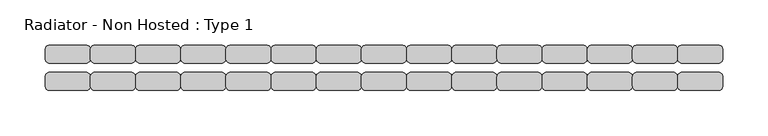
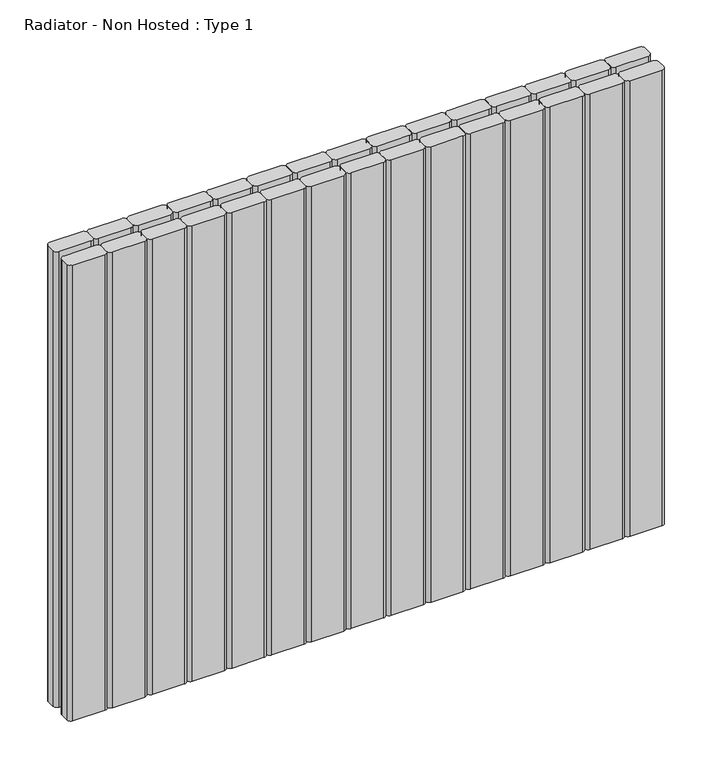
"""IFC4 building model written with IfcOpenShell, lengths in millimetres: proxy geometry, Radiator - Non Hosted : Type 1."""

from ifc_helpers import new_model, si_unit, point, frame, frame_2d, origin, place, context, project, spatial, polyline, circle_curve, trimmed, segment, composite_curve, outline, extrude, source, transform, mapped, element, save


def radiator_non_hosted_type_1_70f04c54(model_context):
    return source(origin(), model_context, "Body", "SweptSolid", [
        extrude(outline(composite_curve([segment(trimmed(circle_curve(frame_2d((845.0, 85.0)), 5.0), [point((845.0, 90.0))], [point((850.0, 85.0))], False, "CARTESIAN"), True, "CONTINUOUS"), segment(polyline([(850.0, 85.0), (850.0, 75.0)]), True, "CONTINUOUS"), segment(trimmed(circle_curve(frame_2d((845.0, 75.0)), 5.0), [point((850.0, 75.0))], [point((845.0, 70.0))], False, "CARTESIAN"), True, "CONTINUOUS"), segment(polyline([(845.0, 70.0), (805.0, 70.0)]), True, "CONTINUOUS"), segment(trimmed(circle_curve(frame_2d((805.0, 75.0)), 5.0), [point((805.0, 70.0))], [point((800.0, 75.0))], False, "CARTESIAN"), True, "CONTINUOUS"), segment(polyline([(800.0, 75.0), (800.0, 85.0)]), True, "CONTINUOUS"), segment(trimmed(circle_curve(frame_2d((805.0, 85.0)), 5.0), [point((800.0, 85.0))], [point((805.0, 90.0))], False, "CARTESIAN"), True, "CONTINUOUS"), segment(polyline([(805.0, 90.0), (845.0, 90.0)]), True, "CONTINUOUS")], self_intersect=False)), frame((0.0, 0.0, 100.0), z_axis=(0.0, 0.0, 1.0), x_axis=(1.0, 0.0, 0.0)), (0.0, 0.0, 1.0), 605.1382712),
        extrude(outline(composite_curve([segment(trimmed(circle_curve(frame_2d((795.0, 85.0)), 5.0), [point((795.0, 90.0))], [point((800.0, 85.0))], False, "CARTESIAN"), True, "CONTINUOUS"), segment(polyline([(800.0, 85.0), (800.0, 75.0)]), True, "CONTINUOUS"), segment(trimmed(circle_curve(frame_2d((795.0, 75.0)), 5.0), [point((800.0, 75.0))], [point((795.0, 70.0))], False, "CARTESIAN"), True, "CONTINUOUS"), segment(polyline([(795.0, 70.0), (755.0, 70.0)]), True, "CONTINUOUS"), segment(trimmed(circle_curve(frame_2d((755.0, 75.0)), 5.0), [point((755.0, 70.0))], [point((750.0, 75.0))], False, "CARTESIAN"), True, "CONTINUOUS"), segment(polyline([(750.0, 75.0), (750.0, 85.0)]), True, "CONTINUOUS"), segment(trimmed(circle_curve(frame_2d((755.0, 85.0)), 5.0), [point((750.0, 85.0))], [point((755.0, 90.0))], False, "CARTESIAN"), True, "CONTINUOUS"), segment(polyline([(755.0, 90.0), (795.0, 90.0)]), True, "CONTINUOUS")], self_intersect=False)), frame((0.0, 0.0, 100.0), z_axis=(0.0, 0.0, 1.0), x_axis=(1.0, 0.0, 0.0)), (0.0, 0.0, 1.0), 605.1382712),
        extrude(outline(composite_curve([segment(trimmed(circle_curve(frame_2d((745.0, 85.0)), 5.0), [point((745.0, 90.0))], [point((750.0, 85.0))], False, "CARTESIAN"), True, "CONTINUOUS"), segment(polyline([(750.0, 85.0), (750.0, 75.0)]), True, "CONTINUOUS"), segment(trimmed(circle_curve(frame_2d((745.0, 75.0)), 5.0), [point((750.0, 75.0))], [point((745.0, 70.0))], False, "CARTESIAN"), True, "CONTINUOUS"), segment(polyline([(745.0, 70.0), (705.0, 70.0)]), True, "CONTINUOUS"), segment(trimmed(circle_curve(frame_2d((705.0, 75.0)), 5.0), [point((705.0, 70.0))], [point((700.0, 75.0))], False, "CARTESIAN"), True, "CONTINUOUS"), segment(polyline([(700.0, 75.0), (700.0, 85.0)]), True, "CONTINUOUS"), segment(trimmed(circle_curve(frame_2d((705.0, 85.0)), 5.0), [point((700.0, 85.0))], [point((705.0, 90.0))], False, "CARTESIAN"), True, "CONTINUOUS"), segment(polyline([(705.0, 90.0), (745.0, 90.0)]), True, "CONTINUOUS")], self_intersect=False)), frame((0.0, 0.0, 100.0), z_axis=(0.0, 0.0, 1.0), x_axis=(1.0, 0.0, 0.0)), (0.0, 0.0, 1.0), 605.1382712),
        extrude(outline(composite_curve([segment(trimmed(circle_curve(frame_2d((695.0, 85.0)), 5.0), [point((695.0, 90.0))], [point((700.0, 85.0))], False, "CARTESIAN"), True, "CONTINUOUS"), segment(polyline([(700.0, 85.0), (700.0, 75.0)]), True, "CONTINUOUS"), segment(trimmed(circle_curve(frame_2d((695.0, 75.0)), 5.0), [point((700.0, 75.0))], [point((695.0, 70.0))], False, "CARTESIAN"), True, "CONTINUOUS"), segment(polyline([(695.0, 70.0), (655.0, 70.0)]), True, "CONTINUOUS"), segment(trimmed(circle_curve(frame_2d((655.0, 75.0)), 5.0), [point((655.0, 70.0))], [point((650.0, 75.0))], False, "CARTESIAN"), True, "CONTINUOUS"), segment(polyline([(650.0, 75.0), (650.0, 85.0)]), True, "CONTINUOUS"), segment(trimmed(circle_curve(frame_2d((655.0, 85.0)), 5.0), [point((650.0, 85.0))], [point((655.0, 90.0))], False, "CARTESIAN"), True, "CONTINUOUS"), segment(polyline([(655.0, 90.0), (695.0, 90.0)]), True, "CONTINUOUS")], self_intersect=False)), frame((0.0, 0.0, 100.0), z_axis=(0.0, 0.0, 1.0), x_axis=(1.0, 0.0, 0.0)), (0.0, 0.0, 1.0), 605.1382712),
        extrude(outline(composite_curve([segment(trimmed(circle_curve(frame_2d((645.0, 85.0)), 5.0), [point((645.0, 90.0))], [point((650.0, 85.0))], False, "CARTESIAN"), True, "CONTINUOUS"), segment(polyline([(650.0, 85.0), (650.0, 75.0)]), True, "CONTINUOUS"), segment(trimmed(circle_curve(frame_2d((645.0, 75.0)), 5.0), [point((650.0, 75.0))], [point((645.0, 70.0))], False, "CARTESIAN"), True, "CONTINUOUS"), segment(polyline([(645.0, 70.0), (605.0, 70.0)]), True, "CONTINUOUS"), segment(trimmed(circle_curve(frame_2d((605.0, 75.0)), 5.0), [point((605.0, 70.0))], [point((600.0, 75.0))], False, "CARTESIAN"), True, "CONTINUOUS"), segment(polyline([(600.0, 75.0), (600.0, 85.0)]), True, "CONTINUOUS"), segment(trimmed(circle_curve(frame_2d((605.0, 85.0)), 5.0), [point((600.0, 85.0))], [point((605.0, 90.0))], False, "CARTESIAN"), True, "CONTINUOUS"), segment(polyline([(605.0, 90.0), (645.0, 90.0)]), True, "CONTINUOUS")], self_intersect=False)), frame((0.0, 0.0, 100.0), z_axis=(0.0, 0.0, 1.0), x_axis=(1.0, 0.0, 0.0)), (0.0, 0.0, 1.0), 605.1382712),
        extrude(outline(composite_curve([segment(trimmed(circle_curve(frame_2d((845.0, 55.0)), 5.0), [point((845.0, 60.0))], [point((850.0, 55.0))], False, "CARTESIAN"), True, "CONTINUOUS"), segment(polyline([(850.0, 55.0), (850.0, 45.0)]), True, "CONTINUOUS"), segment(trimmed(circle_curve(frame_2d((845.0, 45.0)), 5.0), [point((850.0, 45.0))], [point((845.0, 40.0))], False, "CARTESIAN"), True, "CONTINUOUS"), segment(polyline([(845.0, 40.0), (805.0, 40.0)]), True, "CONTINUOUS"), segment(trimmed(circle_curve(frame_2d((805.0, 45.0)), 5.0), [point((805.0, 40.0))], [point((800.0, 45.0))], False, "CARTESIAN"), True, "CONTINUOUS"), segment(polyline([(800.0, 45.0), (800.0, 55.0)]), True, "CONTINUOUS"), segment(trimmed(circle_curve(frame_2d((805.0, 55.0)), 5.0), [point((800.0, 55.0))], [point((805.0, 60.0))], False, "CARTESIAN"), True, "CONTINUOUS"), segment(polyline([(805.0, 60.0), (845.0, 60.0)]), True, "CONTINUOUS")], self_intersect=False)), frame((0.0, 0.0, 100.0), z_axis=(0.0, 0.0, 1.0), x_axis=(1.0, 0.0, 0.0)), (0.0, 0.0, 1.0), 605.1382712),
        extrude(outline(composite_curve([segment(trimmed(circle_curve(frame_2d((795.0, 55.0)), 5.0), [point((795.0, 60.0))], [point((800.0, 55.0))], False, "CARTESIAN"), True, "CONTINUOUS"), segment(polyline([(800.0, 55.0), (800.0, 45.0)]), True, "CONTINUOUS"), segment(trimmed(circle_curve(frame_2d((795.0, 45.0)), 5.0), [point((800.0, 45.0))], [point((795.0, 40.0))], False, "CARTESIAN"), True, "CONTINUOUS"), segment(polyline([(795.0, 40.0), (755.0, 40.0)]), True, "CONTINUOUS"), segment(trimmed(circle_curve(frame_2d((755.0, 45.0)), 5.0), [point((755.0, 40.0))], [point((750.0, 45.0))], False, "CARTESIAN"), True, "CONTINUOUS"), segment(polyline([(750.0, 45.0), (750.0, 55.0)]), True, "CONTINUOUS"), segment(trimmed(circle_curve(frame_2d((755.0, 55.0)), 5.0), [point((750.0, 55.0))], [point((755.0, 60.0))], False, "CARTESIAN"), True, "CONTINUOUS"), segment(polyline([(755.0, 60.0), (795.0, 60.0)]), True, "CONTINUOUS")], self_intersect=False)), frame((0.0, 0.0, 100.0), z_axis=(0.0, 0.0, 1.0), x_axis=(1.0, 0.0, 0.0)), (0.0, 0.0, 1.0), 605.1382712),
        extrude(outline(composite_curve([segment(trimmed(circle_curve(frame_2d((745.0, 55.0)), 5.0), [point((745.0, 60.0))], [point((750.0, 55.0))], False, "CARTESIAN"), True, "CONTINUOUS"), segment(polyline([(750.0, 55.0), (750.0, 45.0)]), True, "CONTINUOUS"), segment(trimmed(circle_curve(frame_2d((745.0, 45.0)), 5.0), [point((750.0, 45.0))], [point((745.0, 40.0))], False, "CARTESIAN"), True, "CONTINUOUS"), segment(polyline([(745.0, 40.0), (705.0, 40.0)]), True, "CONTINUOUS"), segment(trimmed(circle_curve(frame_2d((705.0, 45.0)), 5.0), [point((705.0, 40.0))], [point((700.0, 45.0))], False, "CARTESIAN"), True, "CONTINUOUS"), segment(polyline([(700.0, 45.0), (700.0, 55.0)]), True, "CONTINUOUS"), segment(trimmed(circle_curve(frame_2d((705.0, 55.0)), 5.0), [point((700.0, 55.0))], [point((705.0, 60.0))], False, "CARTESIAN"), True, "CONTINUOUS"), segment(polyline([(705.0, 60.0), (745.0, 60.0)]), True, "CONTINUOUS")], self_intersect=False)), frame((0.0, 0.0, 100.0), z_axis=(0.0, 0.0, 1.0), x_axis=(1.0, 0.0, 0.0)), (0.0, 0.0, 1.0), 605.1382712),
        extrude(outline(composite_curve([segment(trimmed(circle_curve(frame_2d((695.0, 55.0)), 5.0), [point((695.0, 60.0))], [point((700.0, 55.0))], False, "CARTESIAN"), True, "CONTINUOUS"), segment(polyline([(700.0, 55.0), (700.0, 45.0)]), True, "CONTINUOUS"), segment(trimmed(circle_curve(frame_2d((695.0, 45.0)), 5.0), [point((700.0, 45.0))], [point((695.0, 40.0))], False, "CARTESIAN"), True, "CONTINUOUS"), segment(polyline([(695.0, 40.0), (655.0, 40.0)]), True, "CONTINUOUS"), segment(trimmed(circle_curve(frame_2d((655.0, 45.0)), 5.0), [point((655.0, 40.0))], [point((650.0, 45.0))], False, "CARTESIAN"), True, "CONTINUOUS"), segment(polyline([(650.0, 45.0), (650.0, 55.0)]), True, "CONTINUOUS"), segment(trimmed(circle_curve(frame_2d((655.0, 55.0)), 5.0), [point((650.0, 55.0))], [point((655.0, 60.0))], False, "CARTESIAN"), True, "CONTINUOUS"), segment(polyline([(655.0, 60.0), (695.0, 60.0)]), True, "CONTINUOUS")], self_intersect=False)), frame((0.0, 0.0, 100.0), z_axis=(0.0, 0.0, 1.0), x_axis=(1.0, 0.0, 0.0)), (0.0, 0.0, 1.0), 605.1382712),
        extrude(outline(composite_curve([segment(trimmed(circle_curve(frame_2d((645.0, 55.0)), 5.0), [point((645.0, 60.0))], [point((650.0, 55.0))], False, "CARTESIAN"), True, "CONTINUOUS"), segment(polyline([(650.0, 55.0), (650.0, 45.0)]), True, "CONTINUOUS"), segment(trimmed(circle_curve(frame_2d((645.0, 45.0)), 5.0), [point((650.0, 45.0))], [point((645.0, 40.0))], False, "CARTESIAN"), True, "CONTINUOUS"), segment(polyline([(645.0, 40.0), (605.0, 40.0)]), True, "CONTINUOUS"), segment(trimmed(circle_curve(frame_2d((605.0, 45.0)), 5.0), [point((605.0, 40.0))], [point((600.0, 45.0))], False, "CARTESIAN"), True, "CONTINUOUS"), segment(polyline([(600.0, 45.0), (600.0, 55.0)]), True, "CONTINUOUS"), segment(trimmed(circle_curve(frame_2d((605.0, 55.0)), 5.0), [point((600.0, 55.0))], [point((605.0, 60.0))], False, "CARTESIAN"), True, "CONTINUOUS"), segment(polyline([(605.0, 60.0), (645.0, 60.0)]), True, "CONTINUOUS")], self_intersect=False)), frame((0.0, 0.0, 100.0), z_axis=(0.0, 0.0, 1.0), x_axis=(1.0, 0.0, 0.0)), (0.0, 0.0, 1.0), 605.1382712),
        extrude(outline(composite_curve([segment(trimmed(circle_curve(frame_2d((595.0, 85.0)), 5.0), [point((595.0, 90.0))], [point((600.0, 85.0))], False, "CARTESIAN"), True, "CONTINUOUS"), segment(polyline([(600.0, 85.0), (600.0, 75.0)]), True, "CONTINUOUS"), segment(trimmed(circle_curve(frame_2d((595.0, 75.0)), 5.0), [point((600.0, 75.0))], [point((595.0, 70.0))], False, "CARTESIAN"), True, "CONTINUOUS"), segment(polyline([(595.0, 70.0), (555.0, 70.0)]), True, "CONTINUOUS"), segment(trimmed(circle_curve(frame_2d((555.0, 75.0)), 5.0), [point((555.0, 70.0))], [point((550.0, 75.0))], False, "CARTESIAN"), True, "CONTINUOUS"), segment(polyline([(550.0, 75.0), (550.0, 85.0)]), True, "CONTINUOUS"), segment(trimmed(circle_curve(frame_2d((555.0, 85.0)), 5.0), [point((550.0, 85.0))], [point((555.0, 90.0))], False, "CARTESIAN"), True, "CONTINUOUS"), segment(polyline([(555.0, 90.0), (595.0, 90.0)]), True, "CONTINUOUS")], self_intersect=False)), frame((0.0, 0.0, 100.0), z_axis=(0.0, 0.0, 1.0), x_axis=(1.0, 0.0, 0.0)), (0.0, 0.0, 1.0), 605.1382712),
        extrude(outline(composite_curve([segment(trimmed(circle_curve(frame_2d((545.0, 85.0)), 5.0), [point((545.0, 90.0))], [point((550.0, 85.0))], False, "CARTESIAN"), True, "CONTINUOUS"), segment(polyline([(550.0, 85.0), (550.0, 75.0)]), True, "CONTINUOUS"), segment(trimmed(circle_curve(frame_2d((545.0, 75.0)), 5.0), [point((550.0, 75.0))], [point((545.0, 70.0))], False, "CARTESIAN"), True, "CONTINUOUS"), segment(polyline([(545.0, 70.0), (505.0, 70.0)]), True, "CONTINUOUS"), segment(trimmed(circle_curve(frame_2d((505.0, 75.0)), 5.0), [point((505.0, 70.0))], [point((500.0, 75.0))], False, "CARTESIAN"), True, "CONTINUOUS"), segment(polyline([(500.0, 75.0), (500.0, 85.0)]), True, "CONTINUOUS"), segment(trimmed(circle_curve(frame_2d((505.0, 85.0)), 5.0), [point((500.0, 85.0))], [point((505.0, 90.0))], False, "CARTESIAN"), True, "CONTINUOUS"), segment(polyline([(505.0, 90.0), (545.0, 90.0)]), True, "CONTINUOUS")], self_intersect=False)), frame((0.0, 0.0, 100.0), z_axis=(0.0, 0.0, 1.0), x_axis=(1.0, 0.0, 0.0)), (0.0, 0.0, 1.0), 605.1382712),
        extrude(outline(composite_curve([segment(trimmed(circle_curve(frame_2d((495.0, 85.0)), 5.0), [point((495.0, 90.0))], [point((500.0, 85.0))], False, "CARTESIAN"), True, "CONTINUOUS"), segment(polyline([(500.0, 85.0), (500.0, 75.0)]), True, "CONTINUOUS"), segment(trimmed(circle_curve(frame_2d((495.0, 75.0)), 5.0), [point((500.0, 75.0))], [point((495.0, 70.0))], False, "CARTESIAN"), True, "CONTINUOUS"), segment(polyline([(495.0, 70.0), (455.0, 70.0)]), True, "CONTINUOUS"), segment(trimmed(circle_curve(frame_2d((455.0, 75.0)), 5.0), [point((455.0, 70.0))], [point((450.0, 75.0))], False, "CARTESIAN"), True, "CONTINUOUS"), segment(polyline([(450.0, 75.0), (450.0, 85.0)]), True, "CONTINUOUS"), segment(trimmed(circle_curve(frame_2d((455.0, 85.0)), 5.0), [point((450.0, 85.0))], [point((455.0, 90.0))], False, "CARTESIAN"), True, "CONTINUOUS"), segment(polyline([(455.0, 90.0), (495.0, 90.0)]), True, "CONTINUOUS")], self_intersect=False)), frame((0.0, 0.0, 100.0), z_axis=(0.0, 0.0, 1.0), x_axis=(1.0, 0.0, 0.0)), (0.0, 0.0, 1.0), 605.1382712),
        extrude(outline(composite_curve([segment(trimmed(circle_curve(frame_2d((445.0, 85.0)), 5.0), [point((445.0, 90.0))], [point((450.0, 85.0))], False, "CARTESIAN"), True, "CONTINUOUS"), segment(polyline([(450.0, 85.0), (450.0, 75.0)]), True, "CONTINUOUS"), segment(trimmed(circle_curve(frame_2d((445.0, 75.0)), 5.0), [point((450.0, 75.0))], [point((445.0, 70.0))], False, "CARTESIAN"), True, "CONTINUOUS"), segment(polyline([(445.0, 70.0), (405.0, 70.0)]), True, "CONTINUOUS"), segment(trimmed(circle_curve(frame_2d((405.0, 75.0)), 5.0), [point((405.0, 70.0))], [point((400.0, 75.0))], False, "CARTESIAN"), True, "CONTINUOUS"), segment(polyline([(400.0, 75.0), (400.0, 85.0)]), True, "CONTINUOUS"), segment(trimmed(circle_curve(frame_2d((405.0, 85.0)), 5.0), [point((400.0, 85.0))], [point((405.0, 90.0))], False, "CARTESIAN"), True, "CONTINUOUS"), segment(polyline([(405.0, 90.0), (445.0, 90.0)]), True, "CONTINUOUS")], self_intersect=False)), frame((0.0, 0.0, 100.0), z_axis=(0.0, 0.0, 1.0), x_axis=(1.0, 0.0, 0.0)), (0.0, 0.0, 1.0), 605.1382712),
        extrude(outline(composite_curve([segment(trimmed(circle_curve(frame_2d((395.0, 85.0)), 5.0), [point((395.0, 90.0))], [point((400.0, 85.0))], False, "CARTESIAN"), True, "CONTINUOUS"), segment(polyline([(400.0, 85.0), (400.0, 75.0)]), True, "CONTINUOUS"), segment(trimmed(circle_curve(frame_2d((395.0, 75.0)), 5.0), [point((400.0, 75.0))], [point((395.0, 70.0))], False, "CARTESIAN"), True, "CONTINUOUS"), segment(polyline([(395.0, 70.0), (355.0, 70.0)]), True, "CONTINUOUS"), segment(trimmed(circle_curve(frame_2d((355.0, 75.0)), 5.0), [point((355.0, 70.0))], [point((350.0, 75.0))], False, "CARTESIAN"), True, "CONTINUOUS"), segment(polyline([(350.0, 75.0), (350.0, 85.0)]), True, "CONTINUOUS"), segment(trimmed(circle_curve(frame_2d((355.0, 85.0)), 5.0), [point((350.0, 85.0))], [point((355.0, 90.0))], False, "CARTESIAN"), True, "CONTINUOUS"), segment(polyline([(355.0, 90.0), (395.0, 90.0)]), True, "CONTINUOUS")], self_intersect=False)), frame((0.0, 0.0, 100.0), z_axis=(0.0, 0.0, 1.0), x_axis=(1.0, 0.0, 0.0)), (0.0, 0.0, 1.0), 605.1382712),
        extrude(outline(composite_curve([segment(trimmed(circle_curve(frame_2d((345.0, 85.0)), 5.0), [point((345.0, 90.0))], [point((350.0, 85.0))], False, "CARTESIAN"), True, "CONTINUOUS"), segment(polyline([(350.0, 85.0), (350.0, 75.0)]), True, "CONTINUOUS"), segment(trimmed(circle_curve(frame_2d((345.0, 75.0)), 5.0), [point((350.0, 75.0))], [point((345.0, 70.0))], False, "CARTESIAN"), True, "CONTINUOUS"), segment(polyline([(345.0, 70.0), (305.0, 70.0)]), True, "CONTINUOUS"), segment(trimmed(circle_curve(frame_2d((305.0, 75.0)), 5.0), [point((305.0, 70.0))], [point((300.0, 75.0))], False, "CARTESIAN"), True, "CONTINUOUS"), segment(polyline([(300.0, 75.0), (300.0, 85.0)]), True, "CONTINUOUS"), segment(trimmed(circle_curve(frame_2d((305.0, 85.0)), 5.0), [point((300.0, 85.0))], [point((305.0, 90.0))], False, "CARTESIAN"), True, "CONTINUOUS"), segment(polyline([(305.0, 90.0), (345.0, 90.0)]), True, "CONTINUOUS")], self_intersect=False)), frame((0.0, 0.0, 100.0), z_axis=(0.0, 0.0, 1.0), x_axis=(1.0, 0.0, 0.0)), (0.0, 0.0, 1.0), 605.1382712),
        extrude(outline(composite_curve([segment(trimmed(circle_curve(frame_2d((295.0, 85.0)), 5.0), [point((295.0, 90.0))], [point((300.0, 85.0))], False, "CARTESIAN"), True, "CONTINUOUS"), segment(polyline([(300.0, 85.0), (300.0, 75.0)]), True, "CONTINUOUS"), segment(trimmed(circle_curve(frame_2d((295.0, 75.0)), 5.0), [point((300.0, 75.0))], [point((295.0, 70.0))], False, "CARTESIAN"), True, "CONTINUOUS"), segment(polyline([(295.0, 70.0), (255.0, 70.0)]), True, "CONTINUOUS"), segment(trimmed(circle_curve(frame_2d((255.0, 75.0)), 5.0), [point((255.0, 70.0))], [point((250.0, 75.0))], False, "CARTESIAN"), True, "CONTINUOUS"), segment(polyline([(250.0, 75.0), (250.0, 85.0)]), True, "CONTINUOUS"), segment(trimmed(circle_curve(frame_2d((255.0, 85.0)), 5.0), [point((250.0, 85.0))], [point((255.0, 90.0))], False, "CARTESIAN"), True, "CONTINUOUS"), segment(polyline([(255.0, 90.0), (295.0, 90.0)]), True, "CONTINUOUS")], self_intersect=False)), frame((0.0, 0.0, 100.0), z_axis=(0.0, 0.0, 1.0), x_axis=(1.0, 0.0, 0.0)), (0.0, 0.0, 1.0), 605.1382712),
        extrude(outline(composite_curve([segment(trimmed(circle_curve(frame_2d((245.0, 85.0)), 5.0), [point((245.0, 90.0))], [point((250.0, 85.0))], False, "CARTESIAN"), True, "CONTINUOUS"), segment(polyline([(250.0, 85.0), (250.0, 75.0)]), True, "CONTINUOUS"), segment(trimmed(circle_curve(frame_2d((245.0, 75.0)), 5.0), [point((250.0, 75.0))], [point((245.0, 70.0))], False, "CARTESIAN"), True, "CONTINUOUS"), segment(polyline([(245.0, 70.0), (205.0, 70.0)]), True, "CONTINUOUS"), segment(trimmed(circle_curve(frame_2d((205.0, 75.0)), 5.0), [point((205.0, 70.0))], [point((200.0, 75.0))], False, "CARTESIAN"), True, "CONTINUOUS"), segment(polyline([(200.0, 75.0), (200.0, 85.0)]), True, "CONTINUOUS"), segment(trimmed(circle_curve(frame_2d((205.0, 85.0)), 5.0), [point((200.0, 85.0))], [point((205.0, 90.0))], False, "CARTESIAN"), True, "CONTINUOUS"), segment(polyline([(205.0, 90.0), (245.0, 90.0)]), True, "CONTINUOUS")], self_intersect=False)), frame((0.0, 0.0, 100.0), z_axis=(0.0, 0.0, 1.0), x_axis=(1.0, 0.0, 0.0)), (0.0, 0.0, 1.0), 605.1382712),
        extrude(outline(composite_curve([segment(trimmed(circle_curve(frame_2d((195.0, 85.0)), 5.0), [point((195.0, 90.0))], [point((200.0, 85.0))], False, "CARTESIAN"), True, "CONTINUOUS"), segment(polyline([(200.0, 85.0), (200.0, 75.0)]), True, "CONTINUOUS"), segment(trimmed(circle_curve(frame_2d((195.0, 75.0)), 5.0), [point((200.0, 75.0))], [point((195.0, 70.0))], False, "CARTESIAN"), True, "CONTINUOUS"), segment(polyline([(195.0, 70.0), (155.0, 70.0)]), True, "CONTINUOUS"), segment(trimmed(circle_curve(frame_2d((155.0, 75.0)), 5.0), [point((155.0, 70.0))], [point((150.0, 75.0))], False, "CARTESIAN"), True, "CONTINUOUS"), segment(polyline([(150.0, 75.0), (150.0, 85.0)]), True, "CONTINUOUS"), segment(trimmed(circle_curve(frame_2d((155.0, 85.0)), 5.0), [point((150.0, 85.0))], [point((155.0, 90.0))], False, "CARTESIAN"), True, "CONTINUOUS"), segment(polyline([(155.0, 90.0), (195.0, 90.0)]), True, "CONTINUOUS")], self_intersect=False)), frame((0.0, 0.0, 100.0), z_axis=(0.0, 0.0, 1.0), x_axis=(1.0, 0.0, 0.0)), (0.0, 0.0, 1.0), 605.1382712),
        extrude(outline(composite_curve([segment(trimmed(circle_curve(frame_2d((595.0, 55.0)), 5.0), [point((595.0, 60.0))], [point((600.0, 55.0))], False, "CARTESIAN"), True, "CONTINUOUS"), segment(polyline([(600.0, 55.0), (600.0, 45.0)]), True, "CONTINUOUS"), segment(trimmed(circle_curve(frame_2d((595.0, 45.0)), 5.0), [point((600.0, 45.0))], [point((595.0, 40.0))], False, "CARTESIAN"), True, "CONTINUOUS"), segment(polyline([(595.0, 40.0), (555.0, 40.0)]), True, "CONTINUOUS"), segment(trimmed(circle_curve(frame_2d((555.0, 45.0)), 5.0), [point((555.0, 40.0))], [point((550.0, 45.0))], False, "CARTESIAN"), True, "CONTINUOUS"), segment(polyline([(550.0, 45.0), (550.0, 55.0)]), True, "CONTINUOUS"), segment(trimmed(circle_curve(frame_2d((555.0, 55.0)), 5.0), [point((550.0, 55.0))], [point((555.0, 60.0))], False, "CARTESIAN"), True, "CONTINUOUS"), segment(polyline([(555.0, 60.0), (595.0, 60.0)]), True, "CONTINUOUS")], self_intersect=False)), frame((0.0, 0.0, 100.0), z_axis=(0.0, 0.0, 1.0), x_axis=(1.0, 0.0, 0.0)), (0.0, 0.0, 1.0), 605.1382712),
        extrude(outline(composite_curve([segment(trimmed(circle_curve(frame_2d((545.0, 55.0)), 5.0), [point((545.0, 60.0))], [point((550.0, 55.0))], False, "CARTESIAN"), True, "CONTINUOUS"), segment(polyline([(550.0, 55.0), (550.0, 45.0)]), True, "CONTINUOUS"), segment(trimmed(circle_curve(frame_2d((545.0, 45.0)), 5.0), [point((550.0, 45.0))], [point((545.0, 40.0))], False, "CARTESIAN"), True, "CONTINUOUS"), segment(polyline([(545.0, 40.0), (505.0, 40.0)]), True, "CONTINUOUS"), segment(trimmed(circle_curve(frame_2d((505.0, 45.0)), 5.0), [point((505.0, 40.0))], [point((500.0, 45.0))], False, "CARTESIAN"), True, "CONTINUOUS"), segment(polyline([(500.0, 45.0), (500.0, 55.0)]), True, "CONTINUOUS"), segment(trimmed(circle_curve(frame_2d((505.0, 55.0)), 5.0), [point((500.0, 55.0))], [point((505.0, 60.0))], False, "CARTESIAN"), True, "CONTINUOUS"), segment(polyline([(505.0, 60.0), (545.0, 60.0)]), True, "CONTINUOUS")], self_intersect=False)), frame((0.0, 0.0, 100.0), z_axis=(0.0, 0.0, 1.0), x_axis=(1.0, 0.0, 0.0)), (0.0, 0.0, 1.0), 605.1382712),
        extrude(outline(composite_curve([segment(trimmed(circle_curve(frame_2d((495.0, 55.0)), 5.0), [point((495.0, 60.0))], [point((500.0, 55.0))], False, "CARTESIAN"), True, "CONTINUOUS"), segment(polyline([(500.0, 55.0), (500.0, 45.0)]), True, "CONTINUOUS"), segment(trimmed(circle_curve(frame_2d((495.0, 45.0)), 5.0), [point((500.0, 45.0))], [point((495.0, 40.0))], False, "CARTESIAN"), True, "CONTINUOUS"), segment(polyline([(495.0, 40.0), (455.0, 40.0)]), True, "CONTINUOUS"), segment(trimmed(circle_curve(frame_2d((455.0, 45.0)), 5.0), [point((455.0, 40.0))], [point((450.0, 45.0))], False, "CARTESIAN"), True, "CONTINUOUS"), segment(polyline([(450.0, 45.0), (450.0, 55.0)]), True, "CONTINUOUS"), segment(trimmed(circle_curve(frame_2d((455.0, 55.0)), 5.0), [point((450.0, 55.0))], [point((455.0, 60.0))], False, "CARTESIAN"), True, "CONTINUOUS"), segment(polyline([(455.0, 60.0), (495.0, 60.0)]), True, "CONTINUOUS")], self_intersect=False)), frame((0.0, 0.0, 100.0), z_axis=(0.0, 0.0, 1.0), x_axis=(1.0, 0.0, 0.0)), (0.0, 0.0, 1.0), 605.1382712),
        extrude(outline(composite_curve([segment(trimmed(circle_curve(frame_2d((445.0, 55.0)), 5.0), [point((445.0, 60.0))], [point((450.0, 55.0))], False, "CARTESIAN"), True, "CONTINUOUS"), segment(polyline([(450.0, 55.0), (450.0, 45.0)]), True, "CONTINUOUS"), segment(trimmed(circle_curve(frame_2d((445.0, 45.0)), 5.0), [point((450.0, 45.0))], [point((445.0, 40.0))], False, "CARTESIAN"), True, "CONTINUOUS"), segment(polyline([(445.0, 40.0), (405.0, 40.0)]), True, "CONTINUOUS"), segment(trimmed(circle_curve(frame_2d((405.0, 45.0)), 5.0), [point((405.0, 40.0))], [point((400.0, 45.0))], False, "CARTESIAN"), True, "CONTINUOUS"), segment(polyline([(400.0, 45.0), (400.0, 55.0)]), True, "CONTINUOUS"), segment(trimmed(circle_curve(frame_2d((405.0, 55.0)), 5.0), [point((400.0, 55.0))], [point((405.0, 60.0))], False, "CARTESIAN"), True, "CONTINUOUS"), segment(polyline([(405.0, 60.0), (445.0, 60.0)]), True, "CONTINUOUS")], self_intersect=False)), frame((0.0, 0.0, 100.0), z_axis=(0.0, 0.0, 1.0), x_axis=(1.0, 0.0, 0.0)), (0.0, 0.0, 1.0), 605.1382712),
        extrude(outline(composite_curve([segment(trimmed(circle_curve(frame_2d((395.0, 55.0)), 5.0), [point((395.0, 60.0))], [point((400.0, 55.0))], False, "CARTESIAN"), True, "CONTINUOUS"), segment(polyline([(400.0, 55.0), (400.0, 45.0)]), True, "CONTINUOUS"), segment(trimmed(circle_curve(frame_2d((395.0, 45.0)), 5.0), [point((400.0, 45.0))], [point((395.0, 40.0))], False, "CARTESIAN"), True, "CONTINUOUS"), segment(polyline([(395.0, 40.0), (355.0, 40.0)]), True, "CONTINUOUS"), segment(trimmed(circle_curve(frame_2d((355.0, 45.0)), 5.0), [point((355.0, 40.0))], [point((350.0, 45.0))], False, "CARTESIAN"), True, "CONTINUOUS"), segment(polyline([(350.0, 45.0), (350.0, 55.0)]), True, "CONTINUOUS"), segment(trimmed(circle_curve(frame_2d((355.0, 55.0)), 5.0), [point((350.0, 55.0))], [point((355.0, 60.0))], False, "CARTESIAN"), True, "CONTINUOUS"), segment(polyline([(355.0, 60.0), (395.0, 60.0)]), True, "CONTINUOUS")], self_intersect=False)), frame((0.0, 0.0, 100.0), z_axis=(0.0, 0.0, 1.0), x_axis=(1.0, 0.0, 0.0)), (0.0, 0.0, 1.0), 605.1382712),
        extrude(outline(composite_curve([segment(trimmed(circle_curve(frame_2d((345.0, 55.0)), 5.0), [point((345.0, 60.0))], [point((350.0, 55.0))], False, "CARTESIAN"), True, "CONTINUOUS"), segment(polyline([(350.0, 55.0), (350.0, 45.0)]), True, "CONTINUOUS"), segment(trimmed(circle_curve(frame_2d((345.0, 45.0)), 5.0), [point((350.0, 45.0))], [point((345.0, 40.0))], False, "CARTESIAN"), True, "CONTINUOUS"), segment(polyline([(345.0, 40.0), (305.0, 40.0)]), True, "CONTINUOUS"), segment(trimmed(circle_curve(frame_2d((305.0, 45.0)), 5.0), [point((305.0, 40.0))], [point((300.0, 45.0))], False, "CARTESIAN"), True, "CONTINUOUS"), segment(polyline([(300.0, 45.0), (300.0, 55.0)]), True, "CONTINUOUS"), segment(trimmed(circle_curve(frame_2d((305.0, 55.0)), 5.0), [point((300.0, 55.0))], [point((305.0, 60.0))], False, "CARTESIAN"), True, "CONTINUOUS"), segment(polyline([(305.0, 60.0), (345.0, 60.0)]), True, "CONTINUOUS")], self_intersect=False)), frame((0.0, 0.0, 100.0), z_axis=(0.0, 0.0, 1.0), x_axis=(1.0, 0.0, 0.0)), (0.0, 0.0, 1.0), 605.1382712),
        extrude(outline(composite_curve([segment(trimmed(circle_curve(frame_2d((295.0, 55.0)), 5.0), [point((295.0, 60.0))], [point((300.0, 55.0))], False, "CARTESIAN"), True, "CONTINUOUS"), segment(polyline([(300.0, 55.0), (300.0, 45.0)]), True, "CONTINUOUS"), segment(trimmed(circle_curve(frame_2d((295.0, 45.0)), 5.0), [point((300.0, 45.0))], [point((295.0, 40.0))], False, "CARTESIAN"), True, "CONTINUOUS"), segment(polyline([(295.0, 40.0), (255.0, 40.0)]), True, "CONTINUOUS"), segment(trimmed(circle_curve(frame_2d((255.0, 45.0)), 5.0), [point((255.0, 40.0))], [point((250.0, 45.0))], False, "CARTESIAN"), True, "CONTINUOUS"), segment(polyline([(250.0, 45.0), (250.0, 55.0)]), True, "CONTINUOUS"), segment(trimmed(circle_curve(frame_2d((255.0, 55.0)), 5.0), [point((250.0, 55.0))], [point((255.0, 60.0))], False, "CARTESIAN"), True, "CONTINUOUS"), segment(polyline([(255.0, 60.0), (295.0, 60.0)]), True, "CONTINUOUS")], self_intersect=False)), frame((0.0, 0.0, 100.0), z_axis=(0.0, 0.0, 1.0), x_axis=(1.0, 0.0, 0.0)), (0.0, 0.0, 1.0), 605.1382712),
        extrude(outline(composite_curve([segment(trimmed(circle_curve(frame_2d((245.0, 55.0)), 5.0), [point((245.0, 60.0))], [point((250.0, 55.0))], False, "CARTESIAN"), True, "CONTINUOUS"), segment(polyline([(250.0, 55.0), (250.0, 45.0)]), True, "CONTINUOUS"), segment(trimmed(circle_curve(frame_2d((245.0, 45.0)), 5.0), [point((250.0, 45.0))], [point((245.0, 40.0))], False, "CARTESIAN"), True, "CONTINUOUS"), segment(polyline([(245.0, 40.0), (205.0, 40.0)]), True, "CONTINUOUS"), segment(trimmed(circle_curve(frame_2d((205.0, 45.0)), 5.0), [point((205.0, 40.0))], [point((200.0, 45.0))], False, "CARTESIAN"), True, "CONTINUOUS"), segment(polyline([(200.0, 45.0), (200.0, 55.0)]), True, "CONTINUOUS"), segment(trimmed(circle_curve(frame_2d((205.0, 55.0)), 5.0), [point((200.0, 55.0))], [point((205.0, 60.0))], False, "CARTESIAN"), True, "CONTINUOUS"), segment(polyline([(205.0, 60.0), (245.0, 60.0)]), True, "CONTINUOUS")], self_intersect=False)), frame((0.0, 0.0, 100.0), z_axis=(0.0, 0.0, 1.0), x_axis=(1.0, 0.0, 0.0)), (0.0, 0.0, 1.0), 605.1382712),
        extrude(outline(composite_curve([segment(trimmed(circle_curve(frame_2d((195.0, 55.0)), 5.0), [point((195.0, 60.0))], [point((200.0, 55.0))], False, "CARTESIAN"), True, "CONTINUOUS"), segment(polyline([(200.0, 55.0), (200.0, 45.0)]), True, "CONTINUOUS"), segment(trimmed(circle_curve(frame_2d((195.0, 45.0)), 5.0), [point((200.0, 45.0))], [point((195.0, 40.0))], False, "CARTESIAN"), True, "CONTINUOUS"), segment(polyline([(195.0, 40.0), (155.0, 40.0)]), True, "CONTINUOUS"), segment(trimmed(circle_curve(frame_2d((155.0, 45.0)), 5.0), [point((155.0, 40.0))], [point((150.0, 45.0))], False, "CARTESIAN"), True, "CONTINUOUS"), segment(polyline([(150.0, 45.0), (150.0, 55.0)]), True, "CONTINUOUS"), segment(trimmed(circle_curve(frame_2d((155.0, 55.0)), 5.0), [point((150.0, 55.0))], [point((155.0, 60.0))], False, "CARTESIAN"), True, "CONTINUOUS"), segment(polyline([(155.0, 60.0), (195.0, 60.0)]), True, "CONTINUOUS")], self_intersect=False)), frame((0.0, 0.0, 100.0), z_axis=(0.0, 0.0, 1.0), x_axis=(1.0, 0.0, 0.0)), (0.0, 0.0, 1.0), 605.1382712),
        extrude(outline(composite_curve([segment(trimmed(circle_curve(frame_2d((145.0, 85.0)), 5.0), [point((145.0, 90.0))], [point((150.0, 85.0))], False, "CARTESIAN"), True, "CONTINUOUS"), segment(polyline([(150.0, 85.0), (150.0, 75.0)]), True, "CONTINUOUS"), segment(trimmed(circle_curve(frame_2d((145.0, 75.0)), 5.0), [point((150.0, 75.0))], [point((145.0, 70.0))], False, "CARTESIAN"), True, "CONTINUOUS"), segment(polyline([(145.0, 70.0), (105.0, 70.0)]), True, "CONTINUOUS"), segment(trimmed(circle_curve(frame_2d((105.0, 75.0)), 5.0), [point((105.0, 70.0))], [point((100.0, 75.0))], False, "CARTESIAN"), True, "CONTINUOUS"), segment(polyline([(100.0, 75.0), (100.0, 85.0)]), True, "CONTINUOUS"), segment(trimmed(circle_curve(frame_2d((105.0, 85.0)), 5.0), [point((100.0, 85.0))], [point((105.0, 90.0))], False, "CARTESIAN"), True, "CONTINUOUS"), segment(polyline([(105.0, 90.0), (145.0, 90.0)]), True, "CONTINUOUS")], self_intersect=False)), frame((0.0, 0.0, 100.0), z_axis=(0.0, 0.0, 1.0), x_axis=(1.0, 0.0, 0.0)), (0.0, 0.0, 1.0), 605.1382712),
        extrude(outline(composite_curve([segment(trimmed(circle_curve(frame_2d((145.0, 55.0)), 5.0), [point((145.0, 60.0))], [point((150.0, 55.0))], False, "CARTESIAN"), True, "CONTINUOUS"), segment(polyline([(150.0, 55.0), (150.0, 45.0)]), True, "CONTINUOUS"), segment(trimmed(circle_curve(frame_2d((145.0, 45.0)), 5.0), [point((150.0, 45.0))], [point((145.0, 40.0))], False, "CARTESIAN"), True, "CONTINUOUS"), segment(polyline([(145.0, 40.0), (105.0, 40.0)]), True, "CONTINUOUS"), segment(trimmed(circle_curve(frame_2d((105.0, 45.0)), 5.0), [point((105.0, 40.0))], [point((100.0, 45.0))], False, "CARTESIAN"), True, "CONTINUOUS"), segment(polyline([(100.0, 45.0), (100.0, 55.0)]), True, "CONTINUOUS"), segment(trimmed(circle_curve(frame_2d((105.0, 55.0)), 5.0), [point((100.0, 55.0))], [point((105.0, 60.0))], False, "CARTESIAN"), True, "CONTINUOUS"), segment(polyline([(105.0, 60.0), (145.0, 60.0)]), True, "CONTINUOUS")], self_intersect=False)), frame((0.0, 0.0, 100.0), z_axis=(0.0, 0.0, 1.0), x_axis=(1.0, 0.0, 0.0)), (0.0, 0.0, 1.0), 605.1382712),
    ])


if __name__ == "__main__":
    model = new_model("IFC4")
    model_context = context("Model", 3, world=origin())
    ifc_project = project(units=[si_unit("LENGTHUNIT", "METRE", prefix="MILLI")], contexts=[model_context])
    site = spatial("IfcSite", under=ifc_project)
    building = spatial("IfcBuilding", under=site)
    placement = place(None, origin())
    radiator_non_hosted_type_1_shape = radiator_non_hosted_type_1_70f04c54(model_context)
    element("IfcBuildingElementProxy", 1, Name="Radiator - Non Hosted : Type 1", ObjectType="Radiator - Non Hosted : Type 1", at=placement, inside=building, context=model_context, shape_type="MappedRepresentation", body=[
        mapped(radiator_non_hosted_type_1_shape, transform((0.0, 0.0, 0.0), x_axis=(1.0, 0.0, 0.0), y_axis=(0.0, 1.0, 0.0), z_axis=(0.0, 0.0, 1.0))),
    ])
    save(model, "model.ifc")
